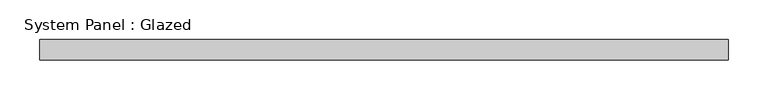
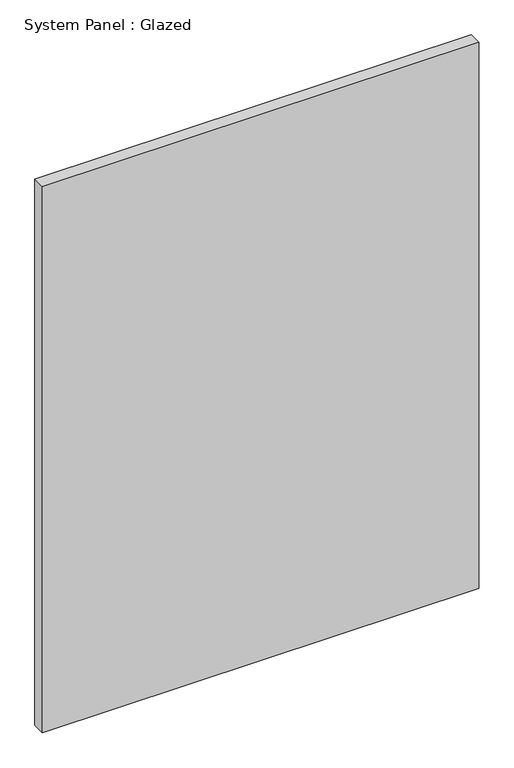
"""IFC4 building model written with IfcOpenShell, lengths in millimetres: plate geometry, System Panel : Glazed."""

from ifc_helpers import new_model, si_unit, origin, origin_with_axes, place, context, project, spatial, polyline, outline, extrude, source, transform, mapped, element, save


def system_panel_glazed_b13cd0f8(model_context):
    return source(origin(), model_context, "Body", "SweptSolid", [
        extrude(outline(polyline([(431.8, 25.4), (-431.8, 25.4), (-431.8, 50.8), (431.8, 50.8), (431.8, 25.4)])), origin_with_axes(), (0.0, 0.0, 1.0), 1143.0),
    ])


if __name__ == "__main__":
    model = new_model("IFC4")
    model_context = context("Model", 3, world=origin())
    ifc_project = project(units=[si_unit("LENGTHUNIT", "METRE", prefix="MILLI")], contexts=[model_context])
    site = spatial("IfcSite", under=ifc_project)
    building = spatial("IfcBuilding", under=site)
    placement = place(None, origin())
    system_panel_glazed_shape = system_panel_glazed_b13cd0f8(model_context)
    element("IfcPlate", 1, ObjectType="System Panel : Glazed", at=placement, inside=building, context=model_context, shape_type="MappedRepresentation", body=[
        mapped(system_panel_glazed_shape, transform((0.0, 0.0, 0.0), x_axis=(1.0, 0.0, 0.0), y_axis=(0.0, 1.0, 0.0), z_axis=(0.0, 0.0, 1.0))),
    ])
    save(model, "model.ifc")
